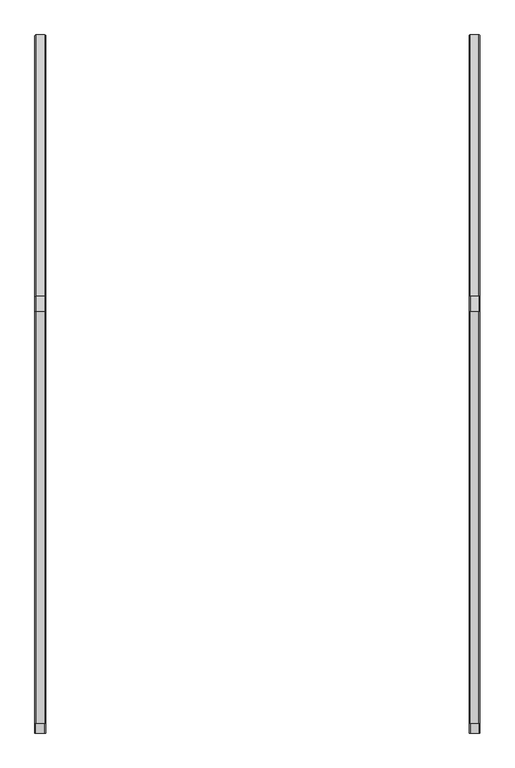
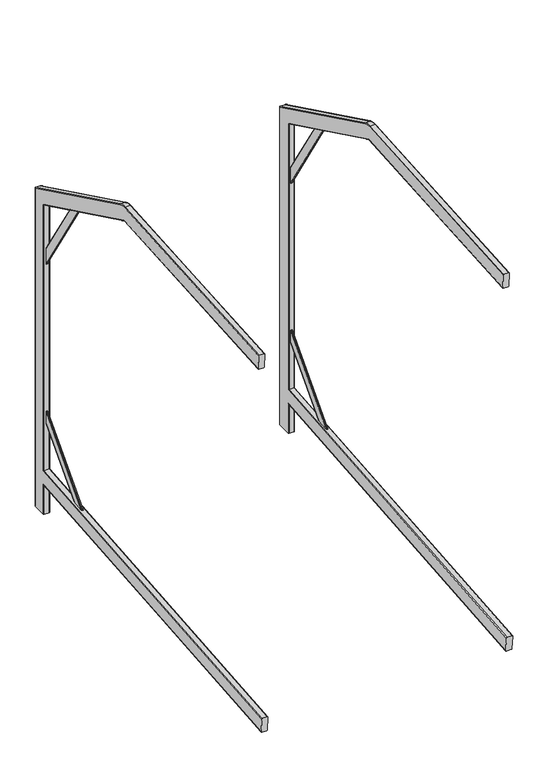
"""IFC4 building model written with IfcOpenShell, lengths in millimetres: proxy geometry."""

from ifc_helpers import new_model, si_unit, point, frame, origin, place, context, project, spatial, polyline, circle_curve, ellipse_curve, trimmed, source, transform, mapped, element, save
from ifc_brep_helpers import plane_surface, cylinder_surface, revolved_surface, advanced_brep


def parking_58f56a64(model_context):
    return source(origin(), model_context, "Body", "AdvancedBrep", [
        advanced_brep(
        [(210.0, -693.5430267, -4.9673613), (210.0, -697.5521909, 40.8575948), (208.0, -697.7265024, 42.8499842), (192.0, -697.7265024, 42.8499842), (190.0, -697.5521909, 40.8575948), (190.0, -693.5430267, -4.9673613), (192.0, -693.3687152, -6.9597507), (208.0, -693.3687152, -6.9597507), (208.0, 537.083027, 100.6908277), (210.0, 539.083027, 102.8734447), (192.0, 537.083027, 100.6908277), (190.0, 539.083027, 102.8734447), (190.0, 539.083027, 149.0491573), (190.0, 539.083027, 1070.152622), (190.0, 85.7545939, 1291.2556721), (190.0, 81.1814453, 1292.1446022), (190.0, -676.5075154, 1239.1618287), (190.0, -679.7163132, 1285.049775), (190.0, 77.9726475, 1338.0325485), (190.0, 105.9196667, 1332.6001983), (190.0, 585.083027, 1098.8966122), (190.0, 585.083027, 0.0), (190.0, 539.083027, 0.0), (192.0, 537.083027, 150.8818196), (208.0, 537.083027, 150.8818196), (201.5, 379.3420738, 137.0812744), (202.5, 377.8675191, 136.9522676), (202.5, 336.5799882, 133.3400767), (201.5, 335.1054336, 133.2110699), (198.5, 335.1054336, 133.2110699), (197.5, 336.5799882, 133.3400767), (197.5, 377.8675191, 136.9522676), (198.5, 379.3420738, 137.0812744), (210.0, 539.083027, 149.0491573), (210.0, 539.083027, 0.0), (210.0, 585.083027, 0.0), (210.0, 585.083027, 1098.8966122), (210.0, 105.9196667, 1332.6001983), (210.0, 77.9726475, 1338.0325485), (210.0, -679.7163132, 1285.049775), (210.0, -676.5075154, 1239.1618287), (210.0, 81.1814453, 1292.1446022), (210.0, 85.7545939, 1291.2556721), (210.0, 539.083027, 1070.152622), (208.0, 537.083027, 0.0), (192.0, 537.083027, 0.0), (192.0, 587.083027, 0.0), (208.0, 587.083027, 0.0), (208.0, -679.8558261, 1287.0449031), (192.0, -679.8558261, 1287.0449031), (192.0, -676.3680025, 1237.1667006), (208.0, -676.3680025, 1237.1667006), (208.0, 587.083027, 1100.1463509), (192.0, 587.083027, 1100.1463509), (192.0, 537.083027, 1068.9028833), (208.0, 537.083027, 1068.9028833), (202.5, 537.083027, 310.7055049), (201.5, 537.083027, 309.2253177), (198.5, 537.083027, 309.2253177), (197.5, 537.083027, 310.7055049), (197.5, 537.083027, 352.1507474), (198.5, 537.083027, 353.6309347), (201.5, 537.083027, 353.6309347), (202.5, 537.083027, 352.1507474), (201.5, 537.083027, 918.5866552), (202.5, 537.083027, 916.7011855), (202.5, 537.083027, 863.9080365), (201.5, 537.083027, 862.0225668), (198.5, 537.083027, 862.0225668), (197.5, 537.083027, 863.9080365), (197.5, 537.083027, 916.7011855), (198.5, 537.083027, 918.5866552), (208.0, 106.796409, 1334.3977864), (192.0, 106.796409, 1334.3977864), (192.0, 84.8778516, 1289.4580841), (208.0, 84.8778516, 1289.4580841), (202.5, 400.0511411, 1135.7377997), (201.5, 401.7486876, 1134.909851), (198.5, 401.7486876, 1134.909851), (197.5, 400.0511411, 1135.7377997), (197.5, 352.5198396, 1158.9203645), (198.5, 350.8222931, 1159.7483132), (201.5, 350.8222931, 1159.7483132), (202.5, 352.5198396, 1158.9203645), (208.0, 77.8331346, 1340.0276766), (192.0, 77.8331346, 1340.0276766), (192.0, 81.3209583, 1290.1494741), (208.0, 81.3209583, 1290.1494741)],
        [
            (0, 1),
            (1, 2, circle_curve(frame((208.0, -697.5521909, 40.8575948), z_axis=(0.0, -0.9961946980917458, -0.08715574274765542), x_axis=(-1.0, 0.0, 0.0)), 2.0)),
            (2, 3),
            (3, 4, circle_curve(frame((192.0, -697.5521909, 40.8575948), z_axis=(0.0, -0.9961946980917458, -0.08715574274765542), x_axis=(-1.0, 0.0, 0.0)), 2.0)),
            (4, 5),
            (5, 6, circle_curve(frame((192.0, -693.5430267, -4.9673613), z_axis=(0.0, -0.9961946980917458, -0.08715574274765542), x_axis=(-1.0, 0.0, 0.0)), 2.0)),
            (6, 7),
            (7, 0, circle_curve(frame((208.0, -693.5430267, -4.9673613), z_axis=(0.0, -0.9961946980917458, -0.08715574274765542), x_axis=(-1.0, 0.0, 0.0)), 2.0)),
            (7, 8),
            (8, 9, ellipse_curve(frame((208.0, 539.083027, 102.8734447), z_axis=(0.0, -0.7372773368101226, 0.6755902076156619), x_axis=(0.0, -0.6755902076156618, -0.7372773368101226)), 2.9603745, 2.0)),
            (9, 0),
            (6, 10),
            (10, 8),
            (5, 11),
            (11, 10, ellipse_curve(frame((192.0, 539.083027, 102.8734447), z_axis=(0.0, -0.7372773368101226, 0.6755902076156619), x_axis=(0.0, -0.6755902076156618, -0.7372773368101226)), 2.9603745, 2.0)),
            (4, 12),
            (12, 13),
            (13, 14),
            (14, 15, circle_curve(frame((190.0, 81.8092536, 1283.1665257), z_axis=(1.0, 0.0, 0.0), x_axis=(0.0, 0.4383711467890998, 0.898794046299156)), 9.0)),
            (15, 16),
            (16, 17),
            (17, 18),
            (18, 19, circle_curve(frame((190.0, 81.8092536, 1283.1665257), z_axis=(-1.0, 0.0, 0.0), x_axis=(0.0, 0.4383711467890998, 0.898794046299156)), 55.0)),
            (19, 20),
            (20, 21),
            (21, 22),
            (22, 11),
            (3, 23),
            (23, 12, ellipse_curve(frame((192.0, 539.083027, 149.0491573), z_axis=(0.0, -0.6755902076156618, -0.7372773368101225), x_axis=(0.0, -0.7372773368101226, 0.6755902076156618)), 2.7126834, 2.0)),
            (2, 24),
            (24, 23),
            (25, 26, ellipse_curve(frame((201.5, 377.8675191, 136.9522676), z_axis=(0.0, 0.08715574274765542, -0.9961946980917458), x_axis=(0.0, -0.9961946980917457, -0.08715574274765536)), 1.4801872, 1.0)),
            (26, 27),
            (27, 28, ellipse_curve(frame((201.5, 336.5799882, 133.3400767), z_axis=(0.0, 0.08715574274765542, -0.9961946980917458), x_axis=(0.0, -0.9961946980917457, -0.08715574274765536)), 1.4801872, 1.0)),
            (28, 29),
            (29, 30, ellipse_curve(frame((198.5, 336.5799882, 133.3400767), z_axis=(0.0, 0.08715574274765542, -0.9961946980917458), x_axis=(0.0, -0.9961946980917457, -0.08715574274765536)), 1.4801872, 1.0)),
            (30, 31),
            (31, 32, ellipse_curve(frame((198.5, 377.8675191, 136.9522676), z_axis=(0.0, 0.08715574274765542, -0.9961946980917458), x_axis=(0.0, -0.9961946980917457, -0.08715574274765536)), 1.4801872, 1.0)),
            (32, 25),
            (1, 33),
            (33, 24, ellipse_curve(frame((208.0, 539.083027, 149.0491573), z_axis=(0.0, -0.6755902076156618, -0.7372773368101225), x_axis=(0.0, -0.7372773368101226, 0.6755902076156618)), 2.7126834, 2.0)),
            (9, 34),
            (34, 35),
            (35, 36),
            (36, 37),
            (37, 38, circle_curve(frame((210.0, 81.8092536, 1283.1665257), z_axis=(1.0, 0.0, 0.0), x_axis=(0.0, 0.4383711467890998, 0.898794046299156)), 55.0)),
            (38, 39),
            (39, 40),
            (40, 41),
            (41, 42, circle_curve(frame((210.0, 81.8092536, 1283.1665257), z_axis=(-1.0, 0.0, 0.0), x_axis=(0.0, 0.4383711467890998, 0.898794046299156)), 9.0)),
            (42, 43),
            (43, 33),
            (34, 44, circle_curve(frame((208.0, 539.083027, 0.0), z_axis=(0.0, 0.0, -1.0), x_axis=(0.0, 1.0, 0.0)), 2.0)),
            (44, 45),
            (45, 22, circle_curve(frame((192.0, 539.083027, 0.0), z_axis=(0.0, 0.0, -1.0), x_axis=(0.0, 1.0, 0.0)), 2.0)),
            (21, 46, circle_curve(frame((192.0, 585.083027, 0.0), z_axis=(0.0, 0.0, -1.0), x_axis=(0.0, 1.0, 0.0)), 2.0)),
            (46, 47),
            (47, 35, circle_curve(frame((208.0, 585.083027, 0.0), z_axis=(0.0, 0.0, -1.0), x_axis=(0.0, 1.0, 0.0)), 2.0)),
            (39, 48, circle_curve(frame((208.0, -679.7163132, 1285.049775), z_axis=(0.0, -0.9975640502598244, -0.06975647374412541), x_axis=(0.0, -0.0697564737441254, 0.9975640502598242)), 2.0)),
            (48, 49),
            (49, 17, circle_curve(frame((192.0, -679.7163132, 1285.049775), z_axis=(0.0, -0.9975640502598244, -0.06975647374412541), x_axis=(0.0, -0.0697564737441254, 0.9975640502598242)), 2.0)),
            (16, 50, circle_curve(frame((192.0, -676.5075154, 1239.1618287), z_axis=(0.0, -0.9975640502598244, -0.06975647374412541), x_axis=(0.0, -0.0697564737441254, 0.9975640502598242)), 2.0)),
            (50, 51),
            (51, 40, circle_curve(frame((208.0, -676.5075154, 1239.1618287), z_axis=(0.0, -0.9975640502598244, -0.06975647374412541), x_axis=(0.0, -0.0697564737441254, 0.9975640502598242)), 2.0)),
            (47, 52),
            (52, 36, ellipse_curve(frame((208.0, 585.083027, 1098.8966122), z_axis=(0.0, 0.5299192642332031, -0.8480480961564271), x_axis=(0.0, -0.8480480961564271, -0.5299192642332032)), 2.3583568, 2.0)),
            (46, 53),
            (53, 52),
            (20, 53, ellipse_curve(frame((192.0, 585.083027, 1098.8966122), z_axis=(0.0, 0.5299192642332031, -0.8480480961564271), x_axis=(0.0, -0.8480480961564271, -0.5299192642332032)), 2.3583568, 2.0)),
            (45, 10),
            (54, 13, ellipse_curve(frame((192.0, 539.083027, 1070.152622), z_axis=(0.0, 0.5299192642332031, -0.8480480961564271), x_axis=(0.0, -0.8480480961564271, -0.5299192642332032)), 2.3583568, 2.0)),
            (23, 54),
            (44, 8),
            (55, 54),
            (24, 55),
            (56, 57, ellipse_curve(frame((201.5, 537.083027, 310.7055049), z_axis=(0.0, 1.0, 0.0), x_axis=(0.0, 0.0, -1.0)), 1.4801872, 1.0)),
            (57, 58),
            (58, 59, ellipse_curve(frame((198.5, 537.083027, 310.7055049), z_axis=(0.0, 1.0, 0.0), x_axis=(0.0, 0.0, -1.0)), 1.4801872, 1.0)),
            (59, 60),
            (60, 61, ellipse_curve(frame((198.5, 537.083027, 352.1507474), z_axis=(0.0, 1.0, 0.0), x_axis=(0.0, 0.0, -1.0)), 1.4801872, 1.0)),
            (61, 62),
            (62, 63, ellipse_curve(frame((201.5, 537.083027, 352.1507474), z_axis=(0.0, 1.0, 0.0), x_axis=(0.0, 0.0, -1.0)), 1.4801872, 1.0)),
            (63, 56),
            (64, 65, ellipse_curve(frame((201.5, 537.083027, 916.7011855), z_axis=(0.0, 1.0, 0.0), x_axis=(0.0, 0.0, -1.0)), 1.8854696, 1.0)),
            (65, 66),
            (66, 67, ellipse_curve(frame((201.5, 537.083027, 863.9080365), z_axis=(0.0, 1.0, 0.0), x_axis=(0.0, 0.0, -1.0)), 1.8854696, 1.0)),
            (67, 68),
            (68, 69, ellipse_curve(frame((198.5, 537.083027, 863.9080365), z_axis=(0.0, 1.0, 0.0), x_axis=(0.0, 0.0, -1.0)), 1.8854696, 1.0)),
            (69, 70),
            (70, 71, ellipse_curve(frame((198.5, 537.083027, 916.7011855), z_axis=(0.0, 1.0, 0.0), x_axis=(0.0, 0.0, -1.0)), 1.8854696, 1.0)),
            (71, 64),
            (43, 55, ellipse_curve(frame((208.0, 539.083027, 1070.152622), z_axis=(0.0, 0.5299192642332031, -0.8480480961564271), x_axis=(0.0, -0.8480480961564271, -0.5299192642332032)), 2.3583568, 2.0)),
            (52, 72),
            (72, 37, circle_curve(frame((208.0, 105.9196667, 1332.6001983), z_axis=(0.0, 0.8987940462991659, -0.4383711467890798), x_axis=(0.0, 0.4383711467890798, 0.8987940462991659)), 2.0)),
            (53, 73),
            (73, 72),
            (19, 73, circle_curve(frame((192.0, 105.9196667, 1332.6001983), z_axis=(0.0, 0.8987940462991659, -0.4383711467890798), x_axis=(0.0, 0.4383711467890798, 0.8987940462991659)), 2.0)),
            (54, 74),
            (74, 14, circle_curve(frame((192.0, 85.7545939, 1291.2556721), z_axis=(0.0, 0.8987940462991659, -0.4383711467890798), x_axis=(0.0, 0.4383711467890798, 0.8987940462991659)), 2.0)),
            (55, 75),
            (75, 74),
            (76, 77, ellipse_curve(frame((201.5, 400.0511411, 1135.7377997), z_axis=(0.0, 0.43837114678907985, 0.8987940462991659), x_axis=(0.0, 0.8987940462991659, -0.4383711467890796)), 1.8886935, 1.0)),
            (77, 78),
            (78, 79, ellipse_curve(frame((198.5, 400.0511411, 1135.7377997), z_axis=(0.0, 0.43837114678907985, 0.8987940462991659), x_axis=(0.0, 0.8987940462991659, -0.4383711467890796)), 1.8886935, 1.0)),
            (79, 80),
            (80, 81, ellipse_curve(frame((198.5, 352.5198396, 1158.9203645), z_axis=(0.0, 0.43837114678907985, 0.8987940462991659), x_axis=(0.0, 0.8987940462991659, -0.4383711467890796)), 1.8886935, 1.0)),
            (81, 82),
            (82, 83, ellipse_curve(frame((201.5, 352.5198396, 1158.9203645), z_axis=(0.0, 0.43837114678907985, 0.8987940462991659), x_axis=(0.0, 0.8987940462991659, -0.4383711467890796)), 1.8886935, 1.0)),
            (83, 76),
            (42, 75, circle_curve(frame((208.0, 85.7545939, 1291.2556721), z_axis=(0.0, 0.8987940462991659, -0.4383711467890798), x_axis=(0.0, 0.4383711467890798, 0.8987940462991659)), 2.0)),
            (38, 84, circle_curve(frame((208.0, 77.9726475, 1338.0325485), z_axis=(0.0, -0.9975640502598244, -0.06975647374412541), x_axis=(0.0, -0.0697564737441254, 0.9975640502598242)), 2.0)),
            (84, 48),
            (84, 85),
            (85, 49),
            (85, 18, circle_curve(frame((192.0, 77.9726475, 1338.0325485), z_axis=(0.0, -0.9975640502598244, -0.06975647374412541), x_axis=(0.0, -0.0697564737441254, 0.9975640502598242)), 2.0)),
            (15, 86, circle_curve(frame((192.0, 81.1814453, 1292.1446022), z_axis=(0.0, -0.9975640502598244, -0.06975647374412541), x_axis=(0.0, -0.0697564737441254, 0.9975640502598242)), 2.0)),
            (86, 50),
            (86, 87),
            (87, 51),
            (87, 41, circle_curve(frame((208.0, 81.1814453, 1292.1446022), z_axis=(0.0, -0.9975640502598244, -0.06975647374412541), x_axis=(0.0, -0.0697564737441254, 0.9975640502598242)), 2.0)),
            (25, 57),
            (56, 26),
            (32, 58),
            (31, 59),
            (30, 60),
            (29, 61),
            (28, 62),
            (27, 63),
            (64, 77),
            (76, 65),
            (71, 78),
            (70, 79),
            (69, 80),
            (68, 81),
            (67, 82),
            (66, 83),
            (87, 75, circle_curve(frame((208.0, 81.8092536, 1283.1665257), z_axis=(-1.0, 0.0, 0.0), x_axis=(0.0, 0.4383711467890998, 0.898794046299156)), 7.0)),
            (86, 74, circle_curve(frame((192.0, 81.8092536, 1283.1665257), z_axis=(-1.0, 0.0, 0.0), x_axis=(0.0, 0.4383711467890998, 0.898794046299156)), 7.0)),
            (85, 73, circle_curve(frame((192.0, 81.8092536, 1283.1665257), z_axis=(-1.0, 0.0, 0.0), x_axis=(0.0, 0.4383711467890998, 0.898794046299156)), 57.0)),
            (84, 72, circle_curve(frame((208.0, 81.8092536, 1283.1665257), z_axis=(-1.0, 0.0, 0.0), x_axis=(0.0, 0.4383711467890998, 0.898794046299156)), 57.0)),
        ],
        [
            plane_surface(frame((210.0, -693.5827297, -4.5135541), z_axis=(0.0, -0.9961946980917458, -0.08715574274765542), x_axis=(0.0, -0.08715574274765542, 0.9961946980917458))),
            cylinder_surface(frame((208.0, 550.8952919, 103.906884), z_axis=(0.0, -0.9961946980917458, -0.08715574274765542), x_axis=(-1.0, 0.0, 0.0)), 2.0),
            plane_surface(frame((192.0, -693.3687152, -6.9597507), z_axis=(0.0, 0.08715574274765542, -0.9961946980917458), x_axis=(0.0, 0.9961946980917458, 0.08715574274765542))),
            cylinder_surface(frame((192.0, 550.8952919, 103.906884), z_axis=(0.0, -0.9961946980917458, -0.08715574274765542), x_axis=(-1.0, 0.0, 0.0)), 2.0),
            plane_surface(frame((190.0, -697.5521909, 40.8575948), z_axis=(-1.0, 0.0, 0.0), x_axis=(0.0, 0.9961946980917458, 0.08715574274765543))),
            cylinder_surface(frame((192.0, 546.8861277, 149.7318401), z_axis=(0.0, -0.9961946980917458, -0.08715574274765542), x_axis=(-1.0, 0.0, 0.0)), 2.0),
            plane_surface(frame((208.0, -697.7265024, 42.8499842), z_axis=(0.0, -0.08715574274765542, 0.9961946980917458), x_axis=(0.0, 0.9961946980917458, 0.08715574274765542))),
            cylinder_surface(frame((208.0, 546.8861277, 149.7318401), z_axis=(0.0, -0.9961946980917458, -0.08715574274765542), x_axis=(-1.0, 0.0, 0.0)), 2.0),
            plane_surface(frame((210.0, -693.5430267, -4.9673613), z_axis=(1.0, 0.0, 0.0), x_axis=(0.0, 0.9961946980917458, 0.08715574274765542))),
            plane_surface(frame((-400.0, 537.083027, 0.0), z_axis=(0.0, 0.0, -1.0), x_axis=(-1.0, 0.0, 0.0))),
            plane_surface(frame((-400.0, -676.3680025, 1237.1667006), z_axis=(0.0, -0.9975640502598243, -0.06975647374412543), x_axis=(-1.0, 0.0, 0.0))),
            cylinder_surface(frame((208.0, 585.083027, 0.0), z_axis=(0.0, 0.0, -1.0), x_axis=(0.0, 1.0, 0.0)), 2.0),
            plane_surface(frame((192.0, 587.083027, 0.0), z_axis=(0.0, 1.0, 0.0), x_axis=(0.0, 0.0, 1.0))),
            cylinder_surface(frame((192.0, 585.083027, 0.0), z_axis=(0.0, 0.0, -1.0), x_axis=(0.0, 1.0, 0.0)), 2.0),
            cylinder_surface(frame((192.0, 539.083027, 0.0), z_axis=(0.0, 0.0, -1.0), x_axis=(0.0, 1.0, 0.0)), 2.0),
            plane_surface(frame((208.0, 537.083027, 0.0), z_axis=(0.0, -1.0, 0.0), x_axis=(0.0, 0.0, 1.0))),
            cylinder_surface(frame((208.0, 539.083027, 0.0), z_axis=(0.0, 0.0, -1.0), x_axis=(0.0, 1.0, 0.0)), 2.0),
            cylinder_surface(frame((208.0, 558.1248421, 1112.0449975), z_axis=(0.0, 0.8987940462991659, -0.4383711467890798), x_axis=(0.0, 0.4383711467890798, 0.8987940462991659)), 2.0),
            plane_surface(frame((192.0, 587.083027, 1100.1463509), z_axis=(0.0, 0.4383711467890795, 0.898794046299166), x_axis=(0.0, -0.898794046299166, 0.4383711467890795))),
            cylinder_surface(frame((192.0, 558.1248421, 1112.0449975), z_axis=(0.0, 0.8987940462991659, -0.4383711467890798), x_axis=(0.0, 0.4383711467890798, 0.8987940462991659)), 2.0),
            cylinder_surface(frame((192.0, 537.9597693, 1070.7004714), z_axis=(0.0, 0.8987940462991659, -0.4383711467890798), x_axis=(0.0, 0.4383711467890798, 0.8987940462991659)), 2.0),
            plane_surface(frame((208.0, 537.083027, 1068.9028833), z_axis=(0.0, -0.43837114678907985, -0.8987940462991659), x_axis=(0.0, -0.8987940462991659, 0.43837114678907985))),
            cylinder_surface(frame((208.0, 537.9597693, 1070.7004714), z_axis=(0.0, 0.8987940462991659, -0.4383711467890798), x_axis=(0.0, 0.4383711467890798, 0.8987940462991659)), 2.0),
            cylinder_surface(frame((208.0, 77.9726475, 1338.0325485), z_axis=(0.0, 0.9975640502598242, 0.0697564737441254), x_axis=(0.0, -0.0697564737441254, 0.9975640502598242)), 2.0),
            plane_surface(frame((192.0, 77.8331346, 1340.0276766), z_axis=(0.0, -0.06975647374412536, 0.9975640502598243), x_axis=(0.0, -0.9975640502598243, -0.06975647374412536))),
            cylinder_surface(frame((192.0, 77.9726475, 1338.0325485), z_axis=(0.0, 0.9975640502598242, 0.0697564737441254), x_axis=(0.0, -0.0697564737441254, 0.9975640502598242)), 2.0),
            cylinder_surface(frame((192.0, 81.1814453, 1292.1446022), z_axis=(0.0, 0.9975640502598242, 0.0697564737441254), x_axis=(0.0, -0.0697564737441254, 0.9975640502598242)), 2.0),
            plane_surface(frame((208.0, 81.3209583, 1290.1494741), z_axis=(0.0, 0.0697564737441257, -0.9975640502598243), x_axis=(0.0, -0.9975640502598243, -0.0697564737441257))),
            cylinder_surface(frame((208.0, 81.1814453, 1292.1446022), z_axis=(0.0, 0.9975640502598242, 0.0697564737441254), x_axis=(0.0, -0.0697564737441254, 0.9975640502598242)), 2.0),
            cylinder_surface(frame((201.5, 563.116161, 339.1156854), z_axis=(0.0, -0.6755902076156626, -0.737277336810122), x_axis=(-1.0, 0.0, 0.0)), 1.0),
            plane_surface(frame((198.5, 354.1502379, 109.5892098), z_axis=(0.0, 0.737277336810122, -0.6755902076156625), x_axis=(0.0, 0.6755902076156625, 0.737277336810122))),
            cylinder_surface(frame((198.5, 563.116161, 339.1156854), z_axis=(0.0, -0.6755902076156626, -0.737277336810122), x_axis=(-1.0, 0.0, 0.0)), 1.0),
            plane_surface(frame((197.5, 332.7691952, 129.1813259), z_axis=(-1.0, 0.0, 0.0), x_axis=(0.0, 0.6755902076156624, 0.7372773368101221))),
            cylinder_surface(frame((198.5, 542.4723956, 358.0322112), z_axis=(0.0, -0.6755902076156626, -0.737277336810122), x_axis=(-1.0, 0.0, 0.0)), 1.0),
            plane_surface(frame((201.5, 332.0319178, 129.8569161), z_axis=(0.0, -0.737277336810122, 0.6755902076156625), x_axis=(0.0, 0.6755902076156625, 0.737277336810122))),
            cylinder_surface(frame((201.5, 542.4723956, 358.0322112), z_axis=(0.0, -0.6755902076156626, -0.737277336810122), x_axis=(-1.0, 0.0, 0.0)), 1.0),
            plane_surface(frame((202.5, 353.4129606, 110.2648), z_axis=(1.0, 0.0, 0.0), x_axis=(0.0, 0.6755902076156625, 0.737277336810122))),
            cylinder_surface(frame((201.5, 372.9613735, 1179.0390426), z_axis=(0.0, 0.5303718470914952, -0.8477651230221468), x_axis=(-1.0, 0.0, 0.0)), 1.0),
            plane_surface(frame((198.5, 571.0013914, 864.3703417), z_axis=(0.0, 0.8477651230221468, 0.5303718470914953), x_axis=(0.0, -0.5303718470914953, 0.8477651230221468))),
            cylinder_surface(frame((198.5, 372.9613735, 1179.0390426), z_axis=(0.0, 0.5303718470914952, -0.8477651230221468), x_axis=(-1.0, 0.0, 0.0)), 1.0),
            plane_surface(frame((197.5, 546.4162028, 848.9895581), z_axis=(-1.0000000000000002, 0.0, 0.0), x_axis=(0.0, -0.5303718470914953, 0.8477651230221468))),
            cylinder_surface(frame((198.5, 349.22395, 1164.1886309), z_axis=(0.0, 0.5303718470914952, -0.8477651230221468), x_axis=(-1.0, 0.0, 0.0)), 1.0),
            plane_surface(frame((201.5, 545.5684377, 848.4591863), z_axis=(0.0, -0.8477651230221469, -0.5303718470914951), x_axis=(0.0, -0.5303718470914951, 0.8477651230221469))),
            cylinder_surface(frame((201.5, 349.22395, 1164.1886309), z_axis=(0.0, 0.5303718470914952, -0.8477651230221468), x_axis=(-1.0, 0.0, 0.0)), 1.0),
            plane_surface(frame((202.5, 570.1536262, 863.8399699), z_axis=(1.0000000000000002, 0.0, 0.0), x_axis=(0.0, -0.5303718470914953, 0.8477651230221468))),
            revolved_surface(trimmed(ellipse_curve(frame((208.0, 85.7545939, 1291.2556721), z_axis=(0.0, 0.898794046299156, -0.4383711467890999), x_axis=(0.0, 0.4383711467890999, 0.898794046299156)), 2.0, 2.0), [point((210.0, 85.7545939, 1291.2556721))], [point((208.0, 84.8778516, 1289.4580841))], True, "CARTESIAN"), (-400.0, 81.8092536, 1283.1665257), (1.0, 0.0, 0.0)),
            revolved_surface(polyline([(208.0, 84.87785162752371, 1289.458084024094), (192.0, 84.87785162752371, 1289.458084024094)]), (-400.0, 81.8092536, 1283.1665257), (1.0, 0.0, 0.0)),
            revolved_surface(trimmed(ellipse_curve(frame((192.0, 85.7545939, 1291.2556721), z_axis=(0.0, 0.898794046299156, -0.4383711467890999), x_axis=(0.0, 0.4383711467890999, 0.898794046299156)), 2.0, 2.0), [point((192.0, 84.8778516, 1289.4580841))], [point((190.0, 85.7545939, 1291.2556721))], True, "CARTESIAN"), (-400.0, 81.8092536, 1283.1665257), (1.0, 0.0, 0.0)),
            revolved_surface(trimmed(ellipse_curve(frame((192.0, 105.9196667, 1332.6001983), z_axis=(0.0, 0.898794046299156, -0.4383711467890999), x_axis=(0.0, 0.4383711467890999, 0.898794046299156)), 2.0, 2.0), [point((190.0, 105.9196667, 1332.6001983))], [point((192.0, 106.796409, 1334.3977864))], True, "CARTESIAN"), (-400.0, 81.8092536, 1283.1665257), (1.0, 0.0, 0.0)),
            cylinder_surface(frame((-400.0, 81.8092536, 1283.1665257), z_axis=(1.0, 0.0, 0.0), x_axis=(0.0, 0.4383711467890998, 0.898794046299156)), 57.0),
            revolved_surface(trimmed(ellipse_curve(frame((208.0, 105.9196667, 1332.6001983), z_axis=(0.0, 0.898794046299156, -0.4383711467890999), x_axis=(0.0, 0.4383711467890999, 0.898794046299156)), 2.0, 2.0), [point((208.0, 106.796409, 1334.3977864))], [point((210.0, 105.9196667, 1332.6001983))], True, "CARTESIAN"), (-400.0, 81.8092536, 1283.1665257), (1.0, 0.0, 0.0)),
        ],
        [
            (0, [[1, 2, 3, 4, 5, 6, 7, 8]]),
            (1, [[-8, 9, 10, 11]]),
            (2, [[-7, 12, 13, -9]]),
            (3, [[-6, 14, 15, -12]]),
            (4, [[-5, 16, 17, 18, 19, 20, 21, 22, 23, 24, 25, 26, 27, -14]]),
            (5, [[-4, 28, 29, -16]]),
            (6, [[-3, 30, 31, -28], [32, 33, 34, 35, 36, 37, 38, 39]]),
            (7, [[-2, 40, 41, -30]]),
            (8, [[-1, -11, 42, 43, 44, 45, 46, 47, 48, 49, 50, 51, 52, -40]]),
            (9, [[53, 54, 55, -26, 56, 57, 58, -43]]),
            (10, [[-48, 59, 60, 61, -21, 62, 63, 64]]),
            (11, [[-58, 65, 66, -44]]),
            (12, [[-57, 67, 68, -65]]),
            (13, [[-56, -25, 69, -67]]),
            (14, [[-55, 70, -15, -27]]),
            (14, [[71, -17, -29, 72]]),
            (15, [[-54, 73, -13, -70]]),
            (15, [[74, -72, -31, 75], [76, 77, 78, 79, 80, 81, 82, 83], [84, 85, 86, 87, 88, 89, 90, 91]]),
            (16, [[-53, -42, -10, -73]]),
            (16, [[92, -75, -41, -52]]),
            (17, [[-45, -66, 93, 94]]),
            (18, [[-68, 95, 96, -93]]),
            (19, [[-69, -24, 97, -95]]),
            (20, [[-18, -71, 98, 99]]),
            (21, [[-74, 100, 101, -98], [102, 103, 104, 105, 106, 107, 108, 109]]),
            (22, [[-51, 110, -100, -92]]),
            (23, [[-59, -47, 111, 112]]),
            (24, [[-60, -112, 113, 114]]),
            (25, [[-61, -114, 115, -22]]),
            (26, [[-62, -20, 116, 117]]),
            (27, [[-63, -117, 118, 119]]),
            (28, [[-64, -119, 120, -49]]),
            (29, [[121, -76, 122, -32]]),
            (30, [[-121, -39, 123, -77]]),
            (31, [[-123, -38, 124, -78]]),
            (32, [[-124, -37, 125, -79]]),
            (33, [[-125, -36, 126, -80]]),
            (34, [[-126, -35, 127, -81]]),
            (35, [[-127, -34, 128, -82]]),
            (36, [[-128, -33, -122, -83]]),
            (37, [[129, -102, 130, -84]]),
            (38, [[-129, -91, 131, -103]]),
            (39, [[-131, -90, 132, -104]]),
            (40, [[-132, -89, 133, -105]]),
            (41, [[-133, -88, 134, -106]]),
            (42, [[-134, -87, 135, -107]]),
            (43, [[-135, -86, 136, -108]]),
            (44, [[-136, -85, -130, -109]]),
            (45, [[-50, -120, 137, -110]]),
            (46, [[-101, -137, -118, 138]]),
            (47, [[-19, -99, -138, -116]]),
            (48, [[-23, -115, 139, -97]]),
            (49, [[-96, -139, -113, 140]]),
            (50, [[-46, -94, -140, -111]]),
        ],
    ),
        advanced_brep(
        [(-610.0, -693.5430267, -4.9673613), (-608.0, -693.3687152, -6.9597507), (-592.0, -693.3687152, -6.9597507), (-590.0, -693.5430267, -4.9673613), (-590.0, -697.5521909, 40.8575948), (-592.0, -697.7265024, 42.8499842), (-608.0, -697.7265024, 42.8499842), (-610.0, -697.5521909, 40.8575948), (-610.0, 539.083027, 102.8734447), (-608.0, 537.083027, 100.6908277), (-592.0, 537.083027, 100.6908277), (-590.0, 539.083027, 102.8734447), (-590.0, 539.083027, 0.0), (-590.0, 585.083027, 0.0), (-590.0, 585.083027, 1098.8966122), (-590.0, 105.9247211, 1332.597733), (-590.0, 77.9670376, 1338.0321562), (-590.0, -679.7163132, 1285.049775), (-590.0, -676.5075154, 1239.1618287), (-590.0, 81.1758354, 1292.1442099), (-590.0, 85.7596484, 1291.2532069), (-590.0, 539.083027, 1070.152622), (-590.0, 539.083027, 149.0491573), (-592.0, 537.083027, 150.8818196), (-608.0, 537.083027, 150.8818196), (-602.5, 377.8675191, 136.9522676), (-601.5, 379.3420738, 137.0812744), (-598.5, 379.3420738, 137.0812744), (-597.5, 377.8675191, 136.9522676), (-597.5, 336.5799882, 133.3400767), (-598.5, 335.1054336, 133.2110699), (-601.5, 335.1054336, 133.2110699), (-602.5, 336.5799882, 133.3400767), (-610.0, 539.083027, 149.0491573), (-610.0, 539.083027, 1070.152622), (-610.0, 85.7596484, 1291.2532069), (-610.0, 81.1758354, 1292.1442099), (-610.0, -676.5075154, 1239.1618287), (-610.0, -679.7163132, 1285.049775), (-610.0, 77.9670376, 1338.0321562), (-610.0, 105.9247211, 1332.597733), (-610.0, 585.083027, 1098.8966122), (-610.0, 585.083027, 0.0), (-610.0, 539.083027, 0.0), (-608.0, 587.083027, 0.0), (-592.0, 587.083027, 0.0), (-592.0, 537.083027, 0.0), (-608.0, 537.083027, 0.0), (-608.0, -676.3680025, 1237.1667006), (-592.0, -676.3680025, 1237.1667006), (-592.0, -679.8558261, 1287.0449031), (-608.0, -679.8558261, 1287.0449031), (-608.0, 587.083027, 1100.1463509), (-592.0, 587.083027, 1100.1463509), (-592.0, 537.083027, 1068.9028833), (-608.0, 537.083027, 1068.9028833), (-601.5, 537.083027, 309.2253177), (-602.5, 537.083027, 310.7055049), (-602.5, 537.083027, 352.1507474), (-601.5, 537.083027, 353.6309347), (-598.5, 537.083027, 353.6309347), (-597.5, 537.083027, 352.1507474), (-597.5, 537.083027, 310.7055049), (-598.5, 537.083027, 309.2253177), (-602.5, 537.083027, 916.7011855), (-601.5, 537.083027, 918.5866552), (-598.5, 537.083027, 918.5866552), (-597.5, 537.083027, 916.7011855), (-597.5, 537.083027, 863.9080365), (-598.5, 537.083027, 862.0225668), (-601.5, 537.083027, 862.0225668), (-602.5, 537.083027, 863.9080365), (-608.0, 106.8014634, 1334.3953211), (-592.0, 106.8014634, 1334.3953211), (-592.0, 84.8829061, 1289.4556188), (-608.0, 84.8829061, 1289.4556188), (-601.5, 401.7486876, 1134.909851), (-602.5, 400.0511411, 1135.7377997), (-602.5, 352.5198396, 1158.9203645), (-601.5, 350.8222931, 1159.7483132), (-598.5, 350.8222931, 1159.7483132), (-597.5, 352.5198396, 1158.9203645), (-597.5, 400.0511411, 1135.7377997), (-598.5, 401.7486876, 1134.909851), (-608.0, 77.8275247, 1340.0272843), (-592.0, 77.8275247, 1340.0272843), (-592.0, 81.3153483, 1290.1490818), (-608.0, 81.3153483, 1290.1490818)],
        [
            (0, 1, circle_curve(frame((-608.0, -693.5430267, -4.9673613), z_axis=(0.0, -0.9961946980917458, -0.08715574274765542), x_axis=(1.0, 0.0, 0.0)), 2.0)),
            (1, 2),
            (2, 3, circle_curve(frame((-592.0, -693.5430267, -4.9673613), z_axis=(0.0, -0.9961946980917458, -0.08715574274765542), x_axis=(1.0, 0.0, 0.0)), 2.0)),
            (3, 4),
            (4, 5, circle_curve(frame((-592.0, -697.5521909, 40.8575948), z_axis=(0.0, -0.9961946980917458, -0.08715574274765542), x_axis=(1.0, 0.0, 0.0)), 2.0)),
            (5, 6),
            (6, 7, circle_curve(frame((-608.0, -697.5521909, 40.8575948), z_axis=(0.0, -0.9961946980917458, -0.08715574274765542), x_axis=(1.0, 0.0, 0.0)), 2.0)),
            (7, 0),
            (0, 8),
            (8, 9, ellipse_curve(frame((-608.0, 539.083027, 102.8734447), z_axis=(0.0, -0.7372773368101226, 0.6755902076156619), x_axis=(0.0, -0.6755902076156618, -0.7372773368101226)), 2.9603745, 2.0)),
            (9, 1),
            (9, 10),
            (10, 2),
            (10, 11, ellipse_curve(frame((-592.0, 539.083027, 102.8734447), z_axis=(0.0, -0.7372773368101226, 0.6755902076156619), x_axis=(0.0, -0.6755902076156618, -0.7372773368101226)), 2.9603745, 2.0)),
            (11, 3),
            (11, 12),
            (12, 13),
            (13, 14),
            (14, 15),
            (15, 16, circle_curve(frame((-590.0, 81.8051077, 1283.1451969), z_axis=(1.0, 0.0, 0.0), x_axis=(0.0, 0.4383711467890651, 0.898794046299173)), 55.0209876)),
            (16, 17),
            (17, 18),
            (18, 19),
            (19, 20, circle_curve(frame((-590.0, 81.8051077, 1283.1451969), z_axis=(-1.0, 0.0, 0.0), x_axis=(0.0, 0.4383711467890651, 0.898794046299173)), 9.0209876)),
            (20, 21),
            (21, 22),
            (22, 4),
            (22, 23, ellipse_curve(frame((-592.0, 539.083027, 149.0491573), z_axis=(0.0, -0.6755902076156618, -0.7372773368101225), x_axis=(0.0, -0.7372773368101226, 0.6755902076156618)), 2.7126834, 2.0)),
            (23, 5),
            (23, 24),
            (24, 6),
            (25, 26, ellipse_curve(frame((-601.5, 377.8675191, 136.9522676), z_axis=(0.0, 0.08715574274765543, -0.9961946980917458), x_axis=(0.0, -0.9961946980917457, -0.08715574274765536)), 1.4801872, 1.0)),
            (26, 27),
            (27, 28, ellipse_curve(frame((-598.5, 377.8675191, 136.9522676), z_axis=(0.0, 0.08715574274765543, -0.9961946980917458), x_axis=(0.0, -0.9961946980917457, -0.08715574274765536)), 1.4801872, 1.0)),
            (28, 29),
            (29, 30, ellipse_curve(frame((-598.5, 336.5799882, 133.3400767), z_axis=(0.0, 0.08715574274765543, -0.9961946980917458), x_axis=(0.0, -0.9961946980917457, -0.08715574274765536)), 1.4801872, 1.0)),
            (30, 31),
            (31, 32, ellipse_curve(frame((-601.5, 336.5799882, 133.3400767), z_axis=(0.0, 0.08715574274765543, -0.9961946980917458), x_axis=(0.0, -0.9961946980917457, -0.08715574274765536)), 1.4801872, 1.0)),
            (32, 25),
            (24, 33, ellipse_curve(frame((-608.0, 539.083027, 149.0491573), z_axis=(0.0, -0.6755902076156618, -0.7372773368101225), x_axis=(0.0, -0.7372773368101226, 0.6755902076156618)), 2.7126834, 2.0)),
            (33, 7),
            (33, 34),
            (34, 35),
            (35, 36, circle_curve(frame((-610.0, 81.8051077, 1283.1451969), z_axis=(1.0, 0.0, 0.0), x_axis=(0.0, 0.4383711467890651, 0.898794046299173)), 9.0209876)),
            (36, 37),
            (37, 38),
            (38, 39),
            (39, 40, circle_curve(frame((-610.0, 81.8051077, 1283.1451969), z_axis=(-1.0, 0.0, 0.0), x_axis=(0.0, 0.4383711467890651, 0.898794046299173)), 55.0209876)),
            (40, 41),
            (41, 42),
            (42, 43),
            (43, 8),
            (42, 44, circle_curve(frame((-608.0, 585.083027, 0.0), z_axis=(0.0, 0.0, -1.0), x_axis=(1.0, 0.0, 0.0)), 2.0)),
            (44, 45),
            (45, 13, circle_curve(frame((-592.0, 585.083027, 0.0), z_axis=(0.0, 0.0, -1.0), x_axis=(1.0, 0.0, 0.0)), 2.0)),
            (12, 46, circle_curve(frame((-592.0, 539.083027, 0.0), z_axis=(0.0, 0.0, -1.0), x_axis=(1.0, 0.0, 0.0)), 2.0)),
            (46, 47),
            (47, 43, circle_curve(frame((-608.0, 539.083027, 0.0), z_axis=(0.0, 0.0, -1.0), x_axis=(1.0, 0.0, 0.0)), 2.0)),
            (37, 48, circle_curve(frame((-608.0, -676.5075154, 1239.1618287), z_axis=(0.0, -0.9975640502598242, -0.06975647374412562), x_axis=(1.0, 0.0, 0.0)), 2.0)),
            (48, 49),
            (49, 18, circle_curve(frame((-592.0, -676.5075154, 1239.1618287), z_axis=(0.0, -0.9975640502598242, -0.06975647374412562), x_axis=(1.0, 0.0, 0.0)), 2.0)),
            (17, 50, circle_curve(frame((-592.0, -679.7163132, 1285.049775), z_axis=(0.0, -0.9975640502598242, -0.06975647374412562), x_axis=(1.0, 0.0, 0.0)), 2.0)),
            (50, 51),
            (51, 38, circle_curve(frame((-608.0, -679.7163132, 1285.049775), z_axis=(0.0, -0.9975640502598242, -0.06975647374412562), x_axis=(1.0, 0.0, 0.0)), 2.0)),
            (41, 52, ellipse_curve(frame((-608.0, 585.083027, 1098.8966122), z_axis=(0.0, 0.5299192642332031, -0.8480480961564271), x_axis=(0.0, -0.8480480961564271, -0.5299192642332032)), 2.3583568, 2.0)),
            (52, 44),
            (52, 53),
            (53, 45),
            (53, 14, ellipse_curve(frame((-592.0, 585.083027, 1098.8966122), z_axis=(0.0, 0.5299192642332031, -0.8480480961564271), x_axis=(0.0, -0.8480480961564271, -0.5299192642332032)), 2.3583568, 2.0)),
            (10, 46),
            (21, 54, ellipse_curve(frame((-592.0, 539.083027, 1070.152622), z_axis=(0.0, 0.5299192642332031, -0.8480480961564271), x_axis=(0.0, -0.8480480961564271, -0.5299192642332032)), 2.3583568, 2.0)),
            (54, 23),
            (9, 47),
            (54, 55),
            (55, 24),
            (56, 57, ellipse_curve(frame((-601.5, 537.083027, 310.7055049), z_axis=(0.0, 1.0, 0.0), x_axis=(0.0, 0.0, -1.0)), 1.4801872, 1.0)),
            (57, 58),
            (58, 59, ellipse_curve(frame((-601.5, 537.083027, 352.1507474), z_axis=(0.0, 1.0, 0.0), x_axis=(0.0, 0.0, -1.0)), 1.4801872, 1.0)),
            (59, 60),
            (60, 61, ellipse_curve(frame((-598.5, 537.083027, 352.1507474), z_axis=(0.0, 1.0, 0.0), x_axis=(0.0, 0.0, -1.0)), 1.4801872, 1.0)),
            (61, 62),
            (62, 63, ellipse_curve(frame((-598.5, 537.083027, 310.7055049), z_axis=(0.0, 1.0, 0.0), x_axis=(0.0, 0.0, -1.0)), 1.4801872, 1.0)),
            (63, 56),
            (64, 65, ellipse_curve(frame((-601.5, 537.083027, 916.7011855), z_axis=(0.0, 1.0, 0.0), x_axis=(0.0, 0.0, -1.0)), 1.8854696, 1.0)),
            (65, 66),
            (66, 67, ellipse_curve(frame((-598.5, 537.083027, 916.7011855), z_axis=(0.0, 1.0, 0.0), x_axis=(0.0, 0.0, -1.0)), 1.8854696, 1.0)),
            (67, 68),
            (68, 69, ellipse_curve(frame((-598.5, 537.083027, 863.9080365), z_axis=(0.0, 1.0, 0.0), x_axis=(0.0, 0.0, -1.0)), 1.8854696, 1.0)),
            (69, 70),
            (70, 71, ellipse_curve(frame((-601.5, 537.083027, 863.9080365), z_axis=(0.0, 1.0, 0.0), x_axis=(0.0, 0.0, -1.0)), 1.8854696, 1.0)),
            (71, 64),
            (55, 34, ellipse_curve(frame((-608.0, 539.083027, 1070.152622), z_axis=(0.0, 0.5299192642332031, -0.8480480961564271), x_axis=(0.0, -0.8480480961564271, -0.5299192642332032)), 2.3583568, 2.0)),
            (40, 72, circle_curve(frame((-608.0, 105.9247211, 1332.597733), z_axis=(0.0, 0.8987940462991659, -0.4383711467890798), x_axis=(1.0, 0.0, 0.0)), 2.0)),
            (72, 52),
            (72, 73),
            (73, 53),
            (73, 15, circle_curve(frame((-592.0, 105.9247211, 1332.597733), z_axis=(0.0, 0.8987940462991659, -0.4383711467890798), x_axis=(1.0, 0.0, 0.0)), 2.0)),
            (20, 74, circle_curve(frame((-592.0, 85.7596484, 1291.2532069), z_axis=(0.0, 0.8987940462991659, -0.4383711467890798), x_axis=(1.0, 0.0, 0.0)), 2.0)),
            (74, 54),
            (74, 75),
            (75, 55),
            (76, 77, ellipse_curve(frame((-601.5, 400.0511411, 1135.7377997), z_axis=(0.0, 0.4383711467890795, 0.898794046299166), x_axis=(0.0, 0.898794046299166, -0.4383711467890794)), 1.8886935, 1.0)),
            (77, 78),
            (78, 79, ellipse_curve(frame((-601.5, 352.5198396, 1158.9203645), z_axis=(0.0, 0.4383711467890795, 0.898794046299166), x_axis=(0.0, 0.898794046299166, -0.4383711467890794)), 1.8886935, 1.0)),
            (79, 80),
            (80, 81, ellipse_curve(frame((-598.5, 352.5198396, 1158.9203645), z_axis=(0.0, 0.4383711467890795, 0.898794046299166), x_axis=(0.0, 0.898794046299166, -0.4383711467890794)), 1.8886935, 1.0)),
            (81, 82),
            (82, 83, ellipse_curve(frame((-598.5, 400.0511411, 1135.7377997), z_axis=(0.0, 0.4383711467890795, 0.898794046299166), x_axis=(0.0, 0.898794046299166, -0.4383711467890794)), 1.8886935, 1.0)),
            (83, 76),
            (75, 35, circle_curve(frame((-608.0, 85.7596484, 1291.2532069), z_axis=(0.0, 0.8987940462991659, -0.4383711467890798), x_axis=(1.0, 0.0, 0.0)), 2.0)),
            (51, 84),
            (84, 39, circle_curve(frame((-608.0, 77.9670376, 1338.0321562), z_axis=(0.0, -0.9975640502598242, -0.06975647374412562), x_axis=(1.0, 0.0, 0.0)), 2.0)),
            (50, 85),
            (85, 84),
            (16, 85, circle_curve(frame((-592.0, 77.9670376, 1338.0321562), z_axis=(0.0, -0.9975640502598242, -0.06975647374412562), x_axis=(1.0, 0.0, 0.0)), 2.0)),
            (49, 86),
            (86, 19, circle_curve(frame((-592.0, 81.1758354, 1292.1442099), z_axis=(0.0, -0.9975640502598242, -0.06975647374412562), x_axis=(1.0, 0.0, 0.0)), 2.0)),
            (48, 87),
            (87, 86),
            (36, 87, circle_curve(frame((-608.0, 81.1758354, 1292.1442099), z_axis=(0.0, -0.9975640502598242, -0.06975647374412562), x_axis=(1.0, 0.0, 0.0)), 2.0)),
            (25, 57),
            (56, 26),
            (63, 27),
            (62, 28),
            (61, 29),
            (60, 30),
            (59, 31),
            (58, 32),
            (64, 77),
            (76, 65),
            (83, 66),
            (82, 67),
            (81, 68),
            (80, 69),
            (79, 70),
            (78, 71),
            (84, 72, circle_curve(frame((-608.0, 81.8051077, 1283.1451969), z_axis=(-1.0, 0.0, 0.0), x_axis=(0.0, 0.4383711467890651, 0.898794046299173)), 57.0209876)),
            (85, 73, circle_curve(frame((-592.0, 81.8051077, 1283.1451969), z_axis=(-1.0, 0.0, 0.0), x_axis=(0.0, 0.4383711467890651, 0.898794046299173)), 57.0209876)),
            (86, 74, circle_curve(frame((-592.0, 81.8051077, 1283.1451969), z_axis=(-1.0, 0.0, 0.0), x_axis=(0.0, 0.4383711467890651, 0.898794046299173)), 7.0209876)),
            (87, 75, circle_curve(frame((-608.0, 81.8051077, 1283.1451969), z_axis=(-1.0, 0.0, 0.0), x_axis=(0.0, 0.4383711467890651, 0.898794046299173)), 7.0209876)),
        ],
        [
            plane_surface(frame((-606.0, -693.5430267, -4.9673613), z_axis=(0.0, -0.9961946980917458, -0.08715574274765543), x_axis=(0.0, -0.08715574274765543, 0.9961946980917458))),
            cylinder_surface(frame((-608.0, 550.8952919, 103.906884), z_axis=(0.0, -0.9961946980917458, -0.08715574274765542), x_axis=(1.0, 0.0, 0.0)), 2.0),
            plane_surface(frame((-608.0, -693.3687152, -6.9597507), z_axis=(0.0, 0.08715574274765542, -0.9961946980917458), x_axis=(0.0, 0.9961946980917458, 0.08715574274765542))),
            cylinder_surface(frame((-592.0, 550.8952919, 103.906884), z_axis=(0.0, -0.9961946980917458, -0.08715574274765542), x_axis=(1.0, 0.0, 0.0)), 2.0),
            plane_surface(frame((-590.0, -693.5430267, -4.9673613), z_axis=(1.0, 0.0, 0.0), x_axis=(0.0, 0.9961946980917458, 0.08715574274765542))),
            cylinder_surface(frame((-592.0, 546.8861277, 149.7318401), z_axis=(0.0, -0.9961946980917458, -0.08715574274765542), x_axis=(1.0, 0.0, 0.0)), 2.0),
            plane_surface(frame((-592.0, -697.7265024, 42.8499842), z_axis=(0.0, -0.08715574274765543, 0.9961946980917458), x_axis=(0.0, 0.9961946980917458, 0.08715574274765543))),
            cylinder_surface(frame((-608.0, 546.8861277, 149.7318401), z_axis=(0.0, -0.9961946980917458, -0.08715574274765542), x_axis=(1.0, 0.0, 0.0)), 2.0),
            plane_surface(frame((-610.0, -697.5521909, 40.8575948), z_axis=(-1.0, 0.0, 0.0), x_axis=(0.0, 0.9961946980917458, 0.08715574274765542))),
            plane_surface(frame((0.0, 537.083027, 0.0), z_axis=(0.0, 0.0, -1.0), x_axis=(1.0, 0.0, 0.0))),
            plane_surface(frame((0.0, -676.3680025, 1237.1667006), z_axis=(0.0, -0.9975640502598242, -0.06975647374412564), x_axis=(1.0, 0.0, 0.0))),
            cylinder_surface(frame((-608.0, 585.083027, 0.0), z_axis=(0.0, 0.0, -1.0), x_axis=(1.0, 0.0, 0.0)), 2.0),
            plane_surface(frame((-608.0, 587.083027, 0.0), z_axis=(0.0, 1.0, 0.0), x_axis=(0.0, 0.0, 1.0))),
            cylinder_surface(frame((-592.0, 585.083027, 0.0), z_axis=(0.0, 0.0, -1.0), x_axis=(1.0, 0.0, 0.0)), 2.0),
            cylinder_surface(frame((-592.0, 539.083027, 0.0), z_axis=(0.0, 0.0, -1.0), x_axis=(1.0, 0.0, 0.0)), 2.0),
            plane_surface(frame((-592.0, 537.083027, 0.0), z_axis=(0.0, -1.0, 0.0), x_axis=(0.0, 0.0, 1.0))),
            cylinder_surface(frame((-608.0, 539.083027, 0.0), z_axis=(0.0, 0.0, -1.0), x_axis=(1.0, 0.0, 0.0)), 2.0),
            cylinder_surface(frame((-608.0, 558.1248421, 1112.0449975), z_axis=(0.0, 0.8987940462991659, -0.4383711467890798), x_axis=(1.0, 0.0, 0.0)), 2.0),
            plane_surface(frame((-608.0, 587.083027, 1100.1463509), z_axis=(0.0, 0.4383711467890796, 0.8987940462991659), x_axis=(0.0, -0.8987940462991659, 0.4383711467890796))),
            cylinder_surface(frame((-592.0, 558.1248421, 1112.0449975), z_axis=(0.0, 0.8987940462991659, -0.4383711467890798), x_axis=(1.0, 0.0, 0.0)), 2.0),
            cylinder_surface(frame((-592.0, 537.9597693, 1070.7004714), z_axis=(0.0, 0.8987940462991659, -0.4383711467890798), x_axis=(1.0, 0.0, 0.0)), 2.0),
            plane_surface(frame((-592.0, 537.083027, 1068.9028833), z_axis=(0.0, -0.4383711467890795, -0.898794046299166), x_axis=(0.0, -0.898794046299166, 0.4383711467890795))),
            cylinder_surface(frame((-608.0, 537.9597693, 1070.7004714), z_axis=(0.0, 0.8987940462991659, -0.4383711467890798), x_axis=(1.0, 0.0, 0.0)), 2.0),
            cylinder_surface(frame((-608.0, 77.9670376, 1338.0321562), z_axis=(0.0, 0.9975640502598242, 0.06975647374412562), x_axis=(1.0, 0.0, 0.0)), 2.0),
            plane_surface(frame((-608.0, 77.8275247, 1340.0272843), z_axis=(0.0, -0.06975647374412543, 0.9975640502598243), x_axis=(0.0, -0.9975640502598243, -0.06975647374412543))),
            cylinder_surface(frame((-592.0, 77.9670376, 1338.0321562), z_axis=(0.0, 0.9975640502598242, 0.06975647374412562), x_axis=(1.0, 0.0, 0.0)), 2.0),
            cylinder_surface(frame((-592.0, 81.1758354, 1292.1442099), z_axis=(0.0, 0.9975640502598242, 0.06975647374412562), x_axis=(1.0, 0.0, 0.0)), 2.0),
            plane_surface(frame((-592.0, 81.3153483, 1290.1490818), z_axis=(0.0, 0.06975647374412508, -0.9975640502598243), x_axis=(0.0, -0.9975640502598243, -0.06975647374412508))),
            cylinder_surface(frame((-608.0, 81.1758354, 1292.1442099), z_axis=(0.0, 0.9975640502598242, 0.06975647374412562), x_axis=(1.0, 0.0, 0.0)), 2.0),
            cylinder_surface(frame((-601.5, 563.116161, 339.1156854), z_axis=(0.0, -0.6755902076156626, -0.737277336810122), x_axis=(1.0, 0.0, 0.0)), 1.0),
            plane_surface(frame((-601.5, 354.1502379, 109.5892098), z_axis=(0.0, 0.737277336810122, -0.6755902076156625), x_axis=(0.0, 0.6755902076156625, 0.737277336810122))),
            cylinder_surface(frame((-598.5, 563.116161, 339.1156854), z_axis=(0.0, -0.6755902076156626, -0.737277336810122), x_axis=(1.0, 0.0, 0.0)), 1.0),
            plane_surface(frame((-597.5, 353.4129606, 110.2648), z_axis=(1.0000000000000002, 0.0, 0.0), x_axis=(0.0, 0.6755902076156627, 0.737277336810122))),
            cylinder_surface(frame((-598.5, 542.4723956, 358.0322112), z_axis=(0.0, -0.6755902076156626, -0.737277336810122), x_axis=(1.0, 0.0, 0.0)), 1.0),
            plane_surface(frame((-598.5, 332.0319178, 129.8569161), z_axis=(0.0, -0.737277336810122, 0.6755902076156627), x_axis=(0.0, 0.6755902076156627, 0.737277336810122))),
            cylinder_surface(frame((-601.5, 542.4723956, 358.0322112), z_axis=(0.0, -0.6755902076156626, -0.737277336810122), x_axis=(1.0, 0.0, 0.0)), 1.0),
            plane_surface(frame((-602.5, 332.7691952, 129.1813259), z_axis=(-1.0, 0.0, 0.0), x_axis=(0.0, 0.6755902076156624, 0.7372773368101221))),
            cylinder_surface(frame((-601.5, 372.9613735, 1179.0390426), z_axis=(0.0, 0.5303718470914952, -0.8477651230221468), x_axis=(1.0, 0.0, 0.0)), 1.0),
            plane_surface(frame((-601.5, 571.0013914, 864.3703417), z_axis=(0.0, 0.8477651230221468, 0.5303718470914953), x_axis=(0.0, -0.5303718470914953, 0.8477651230221468))),
            cylinder_surface(frame((-598.5, 372.9613735, 1179.0390426), z_axis=(0.0, 0.5303718470914952, -0.8477651230221468), x_axis=(1.0, 0.0, 0.0)), 1.0),
            plane_surface(frame((-597.5, 570.1536262, 863.8399699), z_axis=(1.0000000000000002, 0.0, 0.0), x_axis=(0.0, -0.5303718470914953, 0.8477651230221468))),
            cylinder_surface(frame((-598.5, 349.22395, 1164.1886309), z_axis=(0.0, 0.5303718470914952, -0.8477651230221468), x_axis=(1.0, 0.0, 0.0)), 1.0),
            plane_surface(frame((-598.5, 545.5684377, 848.4591863), z_axis=(0.0, -0.8477651230221469, -0.5303718470914951), x_axis=(0.0, -0.5303718470914951, 0.8477651230221469))),
            cylinder_surface(frame((-601.5, 349.22395, 1164.1886309), z_axis=(0.0, 0.5303718470914952, -0.8477651230221468), x_axis=(1.0, 0.0, 0.0)), 1.0),
            plane_surface(frame((-602.5, 546.4162028, 848.9895581), z_axis=(-1.0000000000000002, 0.0, 0.0), x_axis=(0.0, -0.5303718470914951, 0.8477651230221469))),
            revolved_surface(trimmed(ellipse_curve(frame((-608.0, 105.9247211, 1332.597733), z_axis=(0.0, 0.898794046299173, -0.4383711467890651), x_axis=(1.0, 0.0, 0.0)), 2.0, 2.0), [point((-610.0, 105.9247211, 1332.597733))], [point((-608.0, 106.8014634, 1334.3953211))], True, "CARTESIAN"), (0.0, 81.8051077, 1283.1451969), (1.0, 0.0, 0.0)),
            cylinder_surface(frame((0.0, 81.8051077, 1283.1451969), z_axis=(1.0, 0.0, 0.0), x_axis=(0.0, 0.4383711467890651, 0.898794046299173)), 57.0209876),
            revolved_surface(trimmed(ellipse_curve(frame((-592.0, 105.9247211, 1332.597733), z_axis=(0.0, 0.898794046299173, -0.4383711467890651), x_axis=(1.0, 0.0, 0.0)), 2.0, 2.0), [point((-592.0, 106.8014634, 1334.3953211))], [point((-590.0, 105.9247211, 1332.597733))], True, "CARTESIAN"), (0.0, 81.8051077, 1283.1451969), (1.0, 0.0, 0.0)),
            revolved_surface(trimmed(ellipse_curve(frame((-592.0, 85.7596484, 1291.2532069), z_axis=(0.0, 0.898794046299173, -0.4383711467890651), x_axis=(1.0, 0.0, 0.0)), 2.0, 2.0), [point((-590.0, 85.7596484, 1291.2532069))], [point((-592.0, 84.8829061, 1289.4556188))], True, "CARTESIAN"), (0.0, 81.8051077, 1283.1451969), (1.0, 0.0, 0.0)),
            revolved_surface(polyline([(-592.0, 84.8829060858038, 1289.4556187540202), (-608.0, 84.8829060858038, 1289.4556187540202)]), (0.0, 81.8051077, 1283.1451969), (1.0, 0.0, 0.0)),
            revolved_surface(trimmed(ellipse_curve(frame((-608.0, 85.7596484, 1291.2532069), z_axis=(0.0, 0.898794046299173, -0.4383711467890651), x_axis=(1.0, 0.0, 0.0)), 2.0, 2.0), [point((-608.0, 84.8829061, 1289.4556188))], [point((-610.0, 85.7596484, 1291.2532069))], True, "CARTESIAN"), (0.0, 81.8051077, 1283.1451969), (1.0, 0.0, 0.0)),
        ],
        [
            (0, [[1, 2, 3, 4, 5, 6, 7, 8]]),
            (1, [[-1, 9, 10, 11]]),
            (2, [[-2, -11, 12, 13]]),
            (3, [[-3, -13, 14, 15]]),
            (4, [[-4, -15, 16, 17, 18, 19, 20, 21, 22, 23, 24, 25, 26, 27]]),
            (5, [[-5, -27, 28, 29]]),
            (6, [[-6, -29, 30, 31], [32, 33, 34, 35, 36, 37, 38, 39]]),
            (7, [[-7, -31, 40, 41]]),
            (8, [[-8, -41, 42, 43, 44, 45, 46, 47, 48, 49, 50, 51, 52, -9]]),
            (9, [[-51, 53, 54, 55, -17, 56, 57, 58]]),
            (10, [[59, 60, 61, -22, 62, 63, 64, -46]]),
            (11, [[-53, -50, 65, 66]]),
            (12, [[-54, -66, 67, 68]]),
            (13, [[-55, -68, 69, -18]]),
            (14, [[-56, -16, -14, 70]]),
            (14, [[71, 72, -28, -26]]),
            (15, [[-57, -70, -12, 73]]),
            (15, [[74, 75, -30, -72], [76, 77, 78, 79, 80, 81, 82, 83], [84, 85, 86, 87, 88, 89, 90, 91]]),
            (16, [[-58, -73, -10, -52]]),
            (16, [[92, -42, -40, -75]]),
            (17, [[-49, 93, 94, -65]]),
            (18, [[-67, -94, 95, 96]]),
            (19, [[-69, -96, 97, -19]]),
            (20, [[-25, 98, 99, -71]]),
            (21, [[-74, -99, 100, 101], [102, 103, 104, 105, 106, 107, 108, 109]]),
            (22, [[-43, -92, -101, 110]]),
            (23, [[-64, 111, 112, -47]]),
            (24, [[-63, 113, 114, -111]]),
            (25, [[-62, -21, 115, -113]]),
            (26, [[-61, 116, 117, -23]]),
            (27, [[-60, 118, 119, -116]]),
            (28, [[-59, -45, 120, -118]]),
            (29, [[121, -76, 122, -32]]),
            (30, [[-122, -83, 123, -33]]),
            (31, [[-123, -82, 124, -34]]),
            (32, [[-124, -81, 125, -35]]),
            (33, [[-125, -80, 126, -36]]),
            (34, [[-126, -79, 127, -37]]),
            (35, [[-127, -78, 128, -38]]),
            (36, [[-121, -39, -128, -77]]),
            (37, [[129, -102, 130, -84]]),
            (38, [[-130, -109, 131, -85]]),
            (39, [[-131, -108, 132, -86]]),
            (40, [[-132, -107, 133, -87]]),
            (41, [[-133, -106, 134, -88]]),
            (42, [[-134, -105, 135, -89]]),
            (43, [[-135, -104, 136, -90]]),
            (44, [[-129, -91, -136, -103]]),
            (45, [[-48, -112, 137, -93]]),
            (46, [[-95, -137, -114, 138]]),
            (47, [[-20, -97, -138, -115]]),
            (48, [[-24, -117, 139, -98]]),
            (49, [[-100, -139, -119, 140]]),
            (50, [[-44, -110, -140, -120]]),
        ],
    ),
    ])


if __name__ == "__main__":
    model = new_model("IFC4")
    model_context = context("Model", 3, world=origin())
    ifc_project = project(units=[si_unit("LENGTHUNIT", "METRE", prefix="MILLI")], contexts=[model_context])
    site = spatial("IfcSite", under=ifc_project)
    building = spatial("IfcBuilding", under=site)
    placement = place(None, origin())
    parking_shape = parking_58f56a64(model_context)
    element("IfcBuildingElementProxy", 1, Name="Parking", at=placement, inside=building, context=model_context, shape_type="MappedRepresentation", body=[
        mapped(parking_shape, transform((0.0, 0.0, 0.0), x_axis=(1.0, 0.0, 0.0), y_axis=(0.0, 1.0, 0.0), z_axis=(0.0, 0.0, 1.0))),
    ])
    save(model, "model.ifc")
